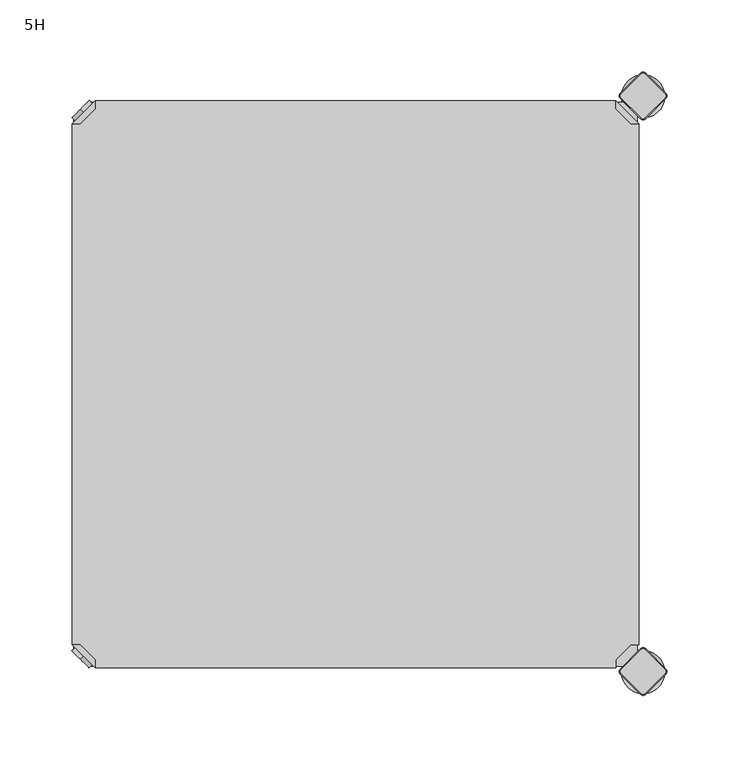
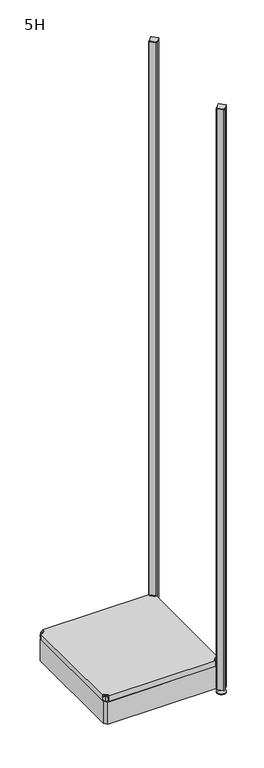
"""IFC4 building model written with IfcOpenShell, lengths in millimetres: furniture geometry, 5H."""

import ifcopenshell
import ifcopenshell.guid

model = None  # the IFC model being written
_history = None  # IfcOwnerHistory: only IFC2X3 demands one
_inside = {}  # id of a spatial element -> (the spatial element, [elements in it])
_under = {}  # id of a project, library or spatial element -> (it, [spatial elements below it])
_declared = {}  # id of a project -> (the project, [libraries it declares])
_typed = {}  # id of a type object -> (the type object, [elements of that type])
_made_of = {}  # id of a material, layer set ... -> (it, [elements and type objects made of it])


def new_model(schema):
    """Start an empty IFC model of exactly this schema.

    Asked for "IFC4X3", IfcOpenShell would pick the latest addendum, in which some entities
    have other attributes; the version numbers below select the first issue.
    IFC2X3 requires an IfcOwnerHistory on every rooted entity: one is made here for all.
    """
    global model, _history
    if schema == "IFC4X3":
        model = ifcopenshell.file(schema_version=(4, 3, 0, 0))
    else:
        model = ifcopenshell.file(schema=schema)
    _inside.clear()
    _under.clear()
    _declared.clear()
    _typed.clear()
    _made_of.clear()
    _history = None
    if model.schema == "IFC2X3":
        org = make("IfcOrganization", Name="unknown")
        user = make(
            "IfcPersonAndOrganization",
            ThePerson=make("IfcPerson", FamilyName="unknown"),
            TheOrganization=org,
        )
        app = make(
            "IfcApplication",
            ApplicationDeveloper=org,
            Version="unknown",
            ApplicationFullName="unknown",
            ApplicationIdentifier="unknown",
        )
        _history = make(
            "IfcOwnerHistory",
            OwningUser=user,
            OwningApplication=app,
            ChangeAction="ADDED",
            CreationDate=0,
        )
    return model


def make(cls, **values):
    """One entity of the class cls with the attributes given. An attribute that is None is left unset."""
    return model.create_entity(
        cls, **{name: value for name, value in values.items() if value is not None}
    )


def rooted(cls, **values):
    """An entity with a GlobalId (a new one), such as an element, a storey or a relation."""
    return make(cls, GlobalId=ifcopenshell.guid.new(), OwnerHistory=_history, **values)


def si_unit(unit_type, name, prefix=None):
    """IfcSIUnit, for example si_unit("LENGTHUNIT", "METRE", prefix="MILLI")."""
    return make("IfcSIUnit", UnitType=unit_type, Prefix=prefix, Name=name)


def assignment(units):
    """IfcUnitAssignment: the units of a project."""
    return None if units is None else make("IfcUnitAssignment", Units=units)


def point(xyz):
    """IfcCartesianPoint."""
    return None if xyz is None else make("IfcCartesianPoint", Coordinates=xyz)


def direction(xyz):
    """IfcDirection."""
    return None if xyz is None else make("IfcDirection", DirectionRatios=xyz)


def frame(location, z_axis=None, x_axis=None):
    """IfcAxis2Placement3D, a coordinate frame: its origin and axes. An axis left out is left unset."""
    return make(
        "IfcAxis2Placement3D",
        Location=point(location),
        Axis=direction(z_axis),
        RefDirection=direction(x_axis),
    )


def frame_2d(location, x_axis=None):
    """IfcAxis2Placement2D, a coordinate frame in the plane: its origin and x axis."""
    return make(
        "IfcAxis2Placement2D", Location=point(location), RefDirection=direction(x_axis)
    )


def origin():
    """The frame at (0, 0, 0) with its axes left unset."""
    return frame((0.0, 0.0, 0.0))


def place(relative_to, where):
    """IfcLocalPlacement: puts the frame where relative to a parent placement (None: the world)."""
    return make(
        "IfcLocalPlacement", PlacementRelTo=relative_to, RelativePlacement=where
    )


def context(
    kind, dimensions, precision=None, world=None, true_north=None, identifier=None
):
    """IfcGeometricRepresentationContext, for example the 3D "Model" context."""
    return make(
        "IfcGeometricRepresentationContext",
        ContextIdentifier=identifier,
        ContextType=kind,
        CoordinateSpaceDimension=dimensions,
        Precision=precision,
        WorldCoordinateSystem=world,
        TrueNorth=true_north,
    )


def project(units=None, contexts=None):
    """IfcProject with its units and contexts."""
    return rooted(
        "IfcProject",
        Name="project",
        RepresentationContexts=contexts,
        UnitsInContext=assignment(units),
    )


def spatial(cls, under=None, at=None, **own):
    """A site, building, storey or space (cls), placed at a placement, below another one or the project."""
    s = rooted(cls, ObjectPlacement=at, **own)
    if under is not None:
        _under.setdefault(under.id(), (under, []))[1].append(s)
    return s


def polyline(points):
    """IfcPolyline through the points."""
    return make("IfcPolyline", Points=[point(p) for p in points])


def circle_curve(where, radius):
    """IfcCircle in the frame where."""
    return make("IfcCircle", Position=where, Radius=radius)


def trimmed(basis, trim1, trim2, sense, master):
    """IfcTrimmedCurve: the piece of a basis curve between two trims."""
    return make(
        "IfcTrimmedCurve",
        BasisCurve=basis,
        Trim1=trim1,
        Trim2=trim2,
        SenseAgreement=sense,
        MasterRepresentation=master,
    )


def segment(curve, same_sense, transition):
    """IfcCompositeCurveSegment."""
    return make(
        "IfcCompositeCurveSegment",
        Transition=transition,
        SameSense=same_sense,
        ParentCurve=curve,
    )


def composite_curve(segments, self_intersect=None):
    """IfcCompositeCurve: segments joined end to end."""
    return make("IfcCompositeCurve", Segments=segments, SelfIntersect=self_intersect)


def outline(outer, holes=None, kind="AREA"):
    """IfcArbitraryClosedProfileDef: a profile drawn as a closed curve; with holes, ...WithVoids."""
    if holes is None:
        return make("IfcArbitraryClosedProfileDef", ProfileType=kind, OuterCurve=outer)
    return make(
        "IfcArbitraryProfileDefWithVoids",
        ProfileType=kind,
        OuterCurve=outer,
        InnerCurves=holes,
    )


def extrude(swept, where, along, depth):
    """IfcExtrudedAreaSolid: the profile swept, set in the frame where, extruded along a direction by depth."""
    return make(
        "IfcExtrudedAreaSolid",
        SweptArea=swept,
        Position=where,
        ExtrudedDirection=direction(along),
        Depth=depth,
    )


def shape(context_of_items, identifier, shape_type, items):
    """IfcShapeRepresentation: the items that make up one representation, for example the "Body"."""
    return make(
        "IfcShapeRepresentation",
        ContextOfItems=context_of_items,
        RepresentationIdentifier=identifier,
        RepresentationType=shape_type,
        Items=items,
    )


def source(mapping_origin, context_of_items, identifier, shape_type, items):
    """IfcRepresentationMap: a shape defined once, which mapped items show again and again."""
    return make(
        "IfcRepresentationMap",
        MappingOrigin=mapping_origin,
        MappedRepresentation=shape(context_of_items, identifier, shape_type, items),
    )


def transform(
    local_origin,
    x_axis=None,
    y_axis=None,
    z_axis=None,
    scale=None,
    scale2=None,
    scale3=None,
    uniform=True,
):
    """IfcCartesianTransformationOperator3D, or its non-uniform kind. x_axis, y_axis, z_axis: its Axis1, 2, 3."""
    if uniform:
        return make(
            "IfcCartesianTransformationOperator3D",
            Axis1=direction(x_axis),
            Axis2=direction(y_axis),
            LocalOrigin=point(local_origin),
            Scale=scale,
            Axis3=direction(z_axis),
        )
    return make(
        "IfcCartesianTransformationOperator3DnonUniform",
        Axis1=direction(x_axis),
        Axis2=direction(y_axis),
        LocalOrigin=point(local_origin),
        Scale=scale,
        Axis3=direction(z_axis),
        Scale2=scale2,
        Scale3=scale3,
    )


def mapped(mapping_source, mapping_target):
    """IfcMappedItem: shows the shape of a source again, moved by a transform."""
    return make(
        "IfcMappedItem", MappingSource=mapping_source, MappingTarget=mapping_target
    )


def made_of(thing, what):
    """Note that an element or type object is made of a material, layer set ...; save() writes the relation."""
    if what is not None:
        _made_of.setdefault(what.id(), (what, []))[1].append(thing)
    return thing


def element(
    cls,
    number,
    at=None,
    inside=None,
    cuts=None,
    type_object=None,
    material=None,
    context=None,
    identifier="Body",
    shape_type=None,
    held_by="IfcProductDefinitionShape",
    body=None,
    shapes=None,
    **own,
):
    """One element of the class cls, such as IfcWall. Its Tag is "e" and its number.

    at: its placement. inside: the storey or other place that contains it. cuts: it is an
    opening in that element (IfcRelVoidsElement). A single representation is given by context,
    identifier, shape_type and body (its items); several are given by shapes. held_by: the class
    of the entity that holds the representations. save() writes the other relations.
    """
    e = rooted(cls, Tag="e%d" % number, ObjectPlacement=at, **own)
    if body is not None:
        shapes = [shape(context, identifier, shape_type, body)]
    if shapes is not None:
        e.Representation = make(held_by, Representations=shapes)
    if inside is not None:
        _inside.setdefault(inside.id(), (inside, []))[1].append(e)
    if cuts is not None:
        rooted(
            "IfcRelVoidsElement", RelatingBuildingElement=cuts, RelatedOpeningElement=e
        )
    if type_object is not None:
        _typed.setdefault(type_object.id(), (type_object, []))[1].append(e)
    return made_of(e, material)


def aggregate(whole, parts):
    """IfcRelAggregates: a whole, such as a stair, and the parts it consists of."""
    return rooted("IfcRelAggregates", RelatingObject=whole, RelatedObjects=parts)


def save(model, path):
    """Write the relations noted so far, then the file.

    IfcRelAggregates (storeys below a building ...), IfcRelContainedInSpatialStructure (elements
    in a storey), IfcRelDefinesByType, IfcRelAssociatesMaterial and IfcRelDeclares: one each for
    every whole, place, type object, material and project.
    """
    for whole, parts in _under.values():
        aggregate(whole, parts)
    for where, things in _inside.values():
        rooted(
            "IfcRelContainedInSpatialStructure",
            RelatedElements=things,
            RelatingStructure=where,
        )
    for kind, things in _typed.values():
        rooted("IfcRelDefinesByType", RelatedObjects=things, RelatingType=kind)
    for what, things in _made_of.values():
        rooted("IfcRelAssociatesMaterial", RelatedObjects=things, RelatingMaterial=what)
    for by, libraries in _declared.values():
        rooted("IfcRelDeclares", RelatingContext=by, RelatedDefinitions=libraries)
    model.write(path)


def plane_surface(at):
    """IfcPlane: the flat surface through the origin of the frame at, square to its z axis."""
    return make("IfcPlane", Position=at)


def cylinder_surface(at, radius):
    """IfcCylindricalSurface: all points at the distance radius from the z axis of the frame at."""
    return make("IfcCylindricalSurface", Position=at, Radius=radius)


def revolved_surface(curve, axis_point, axis_direction):
    """IfcSurfaceOfRevolution: the curve turned about the line through axis_point along axis_direction."""
    return make(
        "IfcSurfaceOfRevolution",
        SweptCurve=make("IfcArbitraryOpenProfileDef", ProfileType="CURVE", Curve=curve),
        AxisPosition=make("IfcAxis1Placement", Location=point(axis_point), Axis=direction(axis_direction)),
    )


def advanced_brep(points, edges, surfaces, faces):
    """IfcAdvancedBrep: a solid bounded by faces that lie on surfaces and meet in shared edges.

    An edge is (start, end): straight between two places in points (the first is 0);
    or (start, end, curve); or (start, end, curve, False) where it runs against its curve.
    A face is (place in surfaces, loops), or (place, loops, False) where it looks against
    its surface's normal. A loop lists edges by number (the first is 1), with a minus sign
    where the edge is run from its end to its start. The first loop is the outer one.
    """
    corners = [point(p) for p in points]
    vertices = [make("IfcVertexPoint", VertexGeometry=c) for c in corners]
    made = []
    for start, end, *more in edges:
        made.append(
            make(
                "IfcEdgeCurve",
                EdgeStart=vertices[start],
                EdgeEnd=vertices[end],
                EdgeGeometry=more[0] if more else make("IfcPolyline", Points=[corners[start], corners[end]]),
                SameSense=more[1] if len(more) > 1 else True,
            )
        )
    hull = []
    for where, loops, *sense in faces:
        bounds = []
        for j, loop in enumerate(loops):
            ring = [make("IfcOrientedEdge", EdgeElement=made[abs(k) - 1], Orientation=k > 0) for k in loop]
            bounds.append(
                make(
                    "IfcFaceOuterBound" if j == 0 else "IfcFaceBound",
                    Bound=make("IfcEdgeLoop", EdgeList=ring),
                    Orientation=True,
                )
            )
        hull.append(make("IfcAdvancedFace", Bounds=bounds, FaceSurface=surfaces[where], SameSense=sense[0] if sense else True))
    return make("IfcAdvancedBrep", Outer=make("IfcClosedShell", CfsFaces=hull))


def furniture_5h_3367ae44(model_context):
    return source(origin(), model_context, "Body", "SolidModel", [
        advanced_brep(
        [(381.0796898, 397.0, 117.0), (381.0796898, 391.3431458, 117.0), (391.3431458, 381.0796898, 117.0), (397.0, 381.0796898, 117.0), (397.0, 381.0796898, 98.0), (397.0, 381.0796898, 97.0), (381.0796898, 397.0, 97.0), (381.0796898, 397.0, 98.0), (381.0796898, 391.3431458, 98.0), (391.3431458, 381.0796898, 98.0), (352.2702923, 368.1906025, 98.0), (368.1906025, 352.2702923, 98.0), (368.1906025, 352.2702923, 97.0), (352.2702923, 368.1906025, 97.0)],
        [
            (0, 1),
            (1, 2),
            (2, 3),
            (3, 0),
            (3, 4),
            (4, 5),
            (5, 6),
            (6, 7),
            (7, 0),
            (1, 8),
            (8, 9),
            (9, 2),
            (7, 8),
            (9, 4),
            (7, 10),
            (10, 11, circle_curve(frame((360.2304474, 360.2304474, 98.0), z_axis=(0.0, 0.0, 1.0), x_axis=(-1.0, 0.0, 0.0)), 11.2573593)),
            (11, 4),
            (5, 12),
            (12, 13, circle_curve(frame((360.2304474, 360.2304474, 97.0), z_axis=(0.0, 0.0, -1.0), x_axis=(-1.0, 0.0, 0.0)), 11.2573593)),
            (13, 6),
            (11, 12),
            (10, 13),
        ],
        [
            plane_surface(frame((438.8756299, 339.2040599, 117.0), z_axis=(0.0, 0.0, 1.0000000000000002), x_axis=(0.7071067811865511, -0.707106781186544, 0.0))),
            plane_surface(frame((381.0796898, 397.0, 117.0), z_axis=(0.707106781186544, 0.7071067811865511, 0.0), x_axis=(0.0, 0.0, -1.0))),
            plane_surface(frame((391.3431458, 381.0796898, 117.0), z_axis=(-0.7071067811865527, -0.7071067811865424, 0.0), x_axis=(0.0, 0.0, -1.0))),
            plane_surface(frame((381.0796898, 391.3431458, 117.0), z_axis=(-1.0, 0.0, 0.0), x_axis=(0.0, 0.0, -1.0))),
            plane_surface(frame((397.0, 381.0796898, 117.0), z_axis=(0.0, -1.0, 0.0), x_axis=(0.0, 0.0, -1.0))),
            plane_surface(frame((397.0, 381.0796898, 98.0), z_axis=(0.0, 0.0, 1.0), x_axis=(0.7071067811865439, -0.7071067811865511, 0.0))),
            plane_surface(frame((397.0, 381.0796898, 97.0), z_axis=(0.0, 0.0, -1.0), x_axis=(-0.7071067811865439, 0.7071067811865511, 0.0))),
            plane_surface(frame((397.0, 381.0796898, 98.0), z_axis=(0.7071067811865446, -0.7071067811865506, 0.0), x_axis=(0.0, 0.0, -1.0))),
            cylinder_surface(frame((360.2304474, 360.2304474, 97.0), z_axis=(0.0, 0.0, 1.0), x_axis=(-1.0, 0.0, 0.0)), 11.2573593),
            plane_surface(frame((352.2702923, 368.1906025, 98.0), z_axis=(-0.7071067811865435, 0.7071067811865517, 0.0), x_axis=(0.0, 0.0, -1.0))),
        ],
        [
            (0, [[1, 2, 3, 4]]),
            (1, [[5, 6, 7, 8, 9, -4]]),
            (2, [[10, 11, 12, -2]]),
            (3, [[-9, 13, -10, -1]]),
            (4, [[-12, 14, -5, -3]]),
            (5, [[-14, -11, -13, 15, 16, 17]]),
            (6, [[-7, 18, 19, 20]]),
            (7, [[21, -18, -6, -17]]),
            (8, [[22, -19, -21, -16]]),
            (9, [[-8, -20, -22, -15]]),
        ],
    ),
        advanced_brep(
        [(10.9601551, 389.0398449, 98.5), (10.9601551, 389.0398449, 115.5), (10.9601551, 389.0398449, 107.0), (8.8388348, 391.1611652, 98.5), (8.8388348, 391.1611652, 115.5), (8.8388348, 391.1611652, 107.0)],
        [
            (0, 1, circle_curve(frame((10.9601551, 389.0398449, 107.0), z_axis=(0.7071067811865509, -0.7071067811865441, 0.0), x_axis=(0.0, 0.0, 1.0)), 8.5)),
            (1, 2),
            (2, 0),
            (1, 0, circle_curve(frame((10.9601551, 389.0398449, 107.0), z_axis=(0.7071067811865509, -0.7071067811865441, 0.0), x_axis=(0.0, 0.0, 1.0)), 8.5)),
            (3, 4, circle_curve(frame((8.8388348, 391.1611652, 107.0), z_axis=(0.7071067811865509, -0.7071067811865441, 0.0), x_axis=(0.0, 0.0, 1.0)), 8.5)),
            (4, 1),
            (0, 3),
            (4, 3, circle_curve(frame((8.8388348, 391.1611652, 107.0), z_axis=(0.7071067811865509, -0.7071067811865441, 0.0), x_axis=(0.0, 0.0, 1.0)), 8.5)),
            (5, 4),
            (3, 5),
        ],
        [
            plane_surface(frame((10.9601551, 389.0398449, 107.0), z_axis=(0.7071067811865506, -0.7071067811865446, 0.0), x_axis=(0.0, 0.0, 1.0))),
            cylinder_surface(frame((8.8388348, 391.1611652, 107.0), z_axis=(-0.7071067811865509, 0.7071067811865441, 0.0), x_axis=(0.0, 0.0, 1.0)), 8.5),
            plane_surface(frame((8.8388348, 391.1611652, 107.0), z_axis=(-0.7071067811865506, 0.7071067811865446, 0.0), x_axis=(0.0, 0.0, 1.0))),
        ],
        [
            (0, [[1, 2, 3]]),
            (0, [[4, -3, -2]]),
            (1, [[5, 6, -1, 7]]),
            (1, [[8, -7, -4, -6]]),
            (2, [[9, -5, 10]]),
            (2, [[-10, -8, -9]]),
        ],
    ),
        advanced_brep(
        [(18.9203102, 397.0, 117.0), (3.0, 381.0796898, 117.0), (8.6568542, 381.0796898, 117.0), (18.9203102, 391.3431458, 117.0), (18.9203102, 397.0, 98.0), (18.9203102, 397.0, 97.0), (3.0, 381.0796898, 97.0), (3.0, 381.0796898, 98.0), (8.6568542, 381.0796898, 98.0), (18.9203102, 391.3431458, 98.0), (31.8093975, 352.2702923, 98.0), (47.7297077, 368.1906025, 98.0), (47.7297077, 368.1906025, 97.0), (31.8093975, 352.2702923, 97.0)],
        [
            (0, 1),
            (1, 2),
            (2, 3),
            (3, 0),
            (0, 4),
            (4, 5),
            (5, 6),
            (6, 7),
            (7, 1),
            (2, 8),
            (8, 9),
            (9, 3),
            (9, 4),
            (7, 8),
            (7, 10),
            (10, 11, circle_curve(frame((39.7695526, 360.2304474, 98.0), z_axis=(0.0, 0.0, 1.0), x_axis=(1.0, 0.0, 0.0)), 11.2573593)),
            (11, 4),
            (5, 12),
            (12, 13, circle_curve(frame((39.7695526, 360.2304474, 97.0), z_axis=(0.0, 0.0, -1.0), x_axis=(1.0, 0.0, 0.0)), 11.2573593)),
            (13, 6),
            (13, 10),
            (12, 11),
        ],
        [
            plane_surface(frame((-38.8756299, 339.2040599, 117.0), z_axis=(0.0, 0.0, 1.0000000000000002), x_axis=(-0.7071067811865511, -0.707106781186544, 0.0))),
            plane_surface(frame((18.9203102, 397.0, 117.0), z_axis=(-0.707106781186544, 0.7071067811865511, 0.0), x_axis=(0.0, 0.0, -1.0))),
            plane_surface(frame((8.6568542, 381.0796898, 117.0), z_axis=(0.7071067811865527, -0.7071067811865424, 0.0), x_axis=(0.0, 0.0, -1.0))),
            plane_surface(frame((18.9203102, 391.3431458, 117.0), z_axis=(1.0, 0.0, 0.0), x_axis=(0.0, 0.0, -1.0))),
            plane_surface(frame((3.0, 381.0796898, 117.0), z_axis=(0.0, -1.0, 0.0), x_axis=(0.0, 0.0, -1.0))),
            plane_surface(frame((3.0, 381.0796898, 98.0), z_axis=(0.0, 0.0, 1.0), x_axis=(-0.7071067811865439, -0.7071067811865511, 0.0))),
            plane_surface(frame((3.0, 381.0796898, 97.0), z_axis=(0.0, 0.0, -1.0), x_axis=(0.7071067811865439, 0.7071067811865511, 0.0))),
            plane_surface(frame((3.0, 381.0796898, 98.0), z_axis=(-0.7071067811865446, -0.7071067811865506, 0.0), x_axis=(0.0, 0.0, -1.0))),
            cylinder_surface(frame((39.7695526, 360.2304474, 97.0), z_axis=(0.0, 0.0, 1.0), x_axis=(1.0, 0.0, 0.0)), 11.2573593),
            plane_surface(frame((47.7297077, 368.1906025, 98.0), z_axis=(0.7071067811865435, 0.7071067811865517, 0.0), x_axis=(0.0, 0.0, -1.0))),
        ],
        [
            (0, [[1, 2, 3, 4]]),
            (1, [[-1, 5, 6, 7, 8, 9]]),
            (2, [[-3, 10, 11, 12]]),
            (3, [[-4, -12, 13, -5]]),
            (4, [[-2, -9, 14, -10]]),
            (5, [[15, 16, 17, -13, -11, -14]]),
            (6, [[18, 19, 20, -7]]),
            (7, [[-15, -8, -20, 21]]),
            (8, [[-16, -21, -19, 22]]),
            (9, [[-17, -22, -18, -6]]),
        ],
    ),
        advanced_brep(
        [(10.9601551, 10.9601551, 98.5), (10.9601551, 10.9601551, 107.0), (10.9601551, 10.9601551, 115.5), (8.8388348, 8.8388348, 98.5), (8.8388348, 8.8388348, 115.5), (8.8388348, 8.8388348, 107.0)],
        [
            (0, 1),
            (1, 2),
            (2, 0, circle_curve(frame((10.9601551, 10.9601551, 107.0), z_axis=(0.7071067811865464, 0.7071067811865487, 0.0), x_axis=(0.0, 0.0, 1.0)), 8.5)),
            (0, 2, circle_curve(frame((10.9601551, 10.9601551, 107.0), z_axis=(0.7071067811865464, 0.7071067811865487, 0.0), x_axis=(0.0, 0.0, 1.0)), 8.5)),
            (3, 0),
            (2, 4),
            (4, 3, circle_curve(frame((8.8388348, 8.8388348, 107.0), z_axis=(0.7071067811865464, 0.7071067811865487, 0.0), x_axis=(0.0, 0.0, 1.0)), 8.5)),
            (3, 4, circle_curve(frame((8.8388348, 8.8388348, 107.0), z_axis=(0.7071067811865464, 0.7071067811865487, 0.0), x_axis=(0.0, 0.0, 1.0)), 8.5)),
            (5, 3),
            (4, 5),
        ],
        [
            plane_surface(frame((10.9601551, 10.9601551, 107.0), z_axis=(0.707106781186546, 0.7071067811865491, 0.0), x_axis=(0.0, 0.0, 1.0))),
            cylinder_surface(frame((8.8388348, 8.8388348, 107.0), z_axis=(-0.7071067811865464, -0.7071067811865487, 0.0), x_axis=(0.0, 0.0, 1.0)), 8.5),
            plane_surface(frame((8.8388348, 8.8388348, 107.0), z_axis=(-0.707106781186546, -0.7071067811865491, 0.0), x_axis=(0.0, 0.0, 1.0))),
        ],
        [
            (0, [[1, 2, 3]]),
            (0, [[-2, -1, 4]]),
            (1, [[5, -3, 6, 7]]),
            (1, [[-6, -4, -5, 8]]),
            (2, [[9, -7, 10]]),
            (2, [[-10, -8, -9]]),
        ],
    ),
        advanced_brep(
        [(18.9203102, 3.0, 117.0), (18.9203102, 8.6568542, 117.0), (8.6568542, 18.9203102, 117.0), (3.0, 18.9203102, 117.0), (3.0, 18.9203102, 98.0), (3.0, 18.9203102, 97.0), (18.9203102, 3.0, 97.0), (18.9203102, 3.0, 98.0), (18.9203102, 8.6568542, 98.0), (8.6568542, 18.9203102, 98.0), (47.7297077, 31.8093975, 98.0), (31.8093975, 47.7297077, 98.0), (31.8093975, 47.7297077, 97.0), (47.7297077, 31.8093975, 97.0)],
        [
            (0, 1),
            (1, 2),
            (2, 3),
            (3, 0),
            (3, 4),
            (4, 5),
            (5, 6),
            (6, 7),
            (7, 0),
            (1, 8),
            (8, 9),
            (9, 2),
            (7, 8),
            (9, 4),
            (7, 10),
            (10, 11, circle_curve(frame((39.7695526, 39.7695526, 98.0), z_axis=(0.0, 0.0, 1.0), x_axis=(1.0, 0.0, 0.0)), 11.2573593)),
            (11, 4),
            (5, 12),
            (12, 13, circle_curve(frame((39.7695526, 39.7695526, 97.0), z_axis=(0.0, 0.0, -1.0), x_axis=(1.0, 0.0, 0.0)), 11.2573593)),
            (13, 6),
            (11, 12),
            (10, 13),
        ],
        [
            plane_surface(frame((-38.8756299, 60.7959401, 117.0), z_axis=(0.0, 0.0, 1.0000000000000002), x_axis=(-0.7071067811865557, 0.7071067811865395, 0.0))),
            plane_surface(frame((18.9203102, 3.0, 117.0), z_axis=(-0.7071067811865395, -0.7071067811865557, 0.0), x_axis=(0.0, 0.0, -1.0))),
            plane_surface(frame((8.6568542, 18.9203102, 117.0), z_axis=(0.7071067811865481, 0.7071067811865469, 0.0), x_axis=(0.0, 0.0, -1.0))),
            plane_surface(frame((18.9203102, 8.6568542, 117.0), z_axis=(1.0, 0.0, 0.0), x_axis=(0.0, 0.0, -1.0))),
            plane_surface(frame((3.0, 18.9203102, 117.0), z_axis=(0.0, 1.0, 0.0), x_axis=(0.0, 0.0, -1.0))),
            plane_surface(frame((3.0, 18.9203102, 98.0), z_axis=(0.0, 0.0, 1.0), x_axis=(-0.7071067811865485, 0.7071067811865466, 0.0))),
            plane_surface(frame((3.0, 18.9203102, 97.0), z_axis=(0.0, 0.0, -1.0), x_axis=(0.7071067811865485, -0.7071067811865466, 0.0))),
            plane_surface(frame((3.0, 18.9203102, 98.0), z_axis=(-0.7071067811865491, 0.707106781186546, 0.0), x_axis=(0.0, 0.0, -1.0))),
            cylinder_surface(frame((39.7695526, 39.7695526, 97.0), z_axis=(0.0, 0.0, 1.0), x_axis=(1.0, 0.0, 0.0)), 11.2573593),
            plane_surface(frame((47.7297077, 31.8093975, 98.0), z_axis=(0.707106781186548, -0.7071067811865471, 0.0), x_axis=(0.0, 0.0, -1.0))),
        ],
        [
            (0, [[1, 2, 3, 4]]),
            (1, [[5, 6, 7, 8, 9, -4]]),
            (2, [[10, 11, 12, -2]]),
            (3, [[-9, 13, -10, -1]]),
            (4, [[-12, 14, -5, -3]]),
            (5, [[-14, -11, -13, 15, 16, 17]]),
            (6, [[-7, 18, 19, 20]]),
            (7, [[21, -18, -6, -17]]),
            (8, [[22, -19, -21, -16]]),
            (9, [[-8, -20, -22, -15]]),
        ],
    ),
        extrude(outline(polyline([(381.0796898, 3.0), (18.9203102, 3.0), (18.9203102, 8.6568542), (8.6568542, 18.9203102), (3.0, 18.9203102), (3.0, 381.0796898), (8.6568542, 381.0796898), (18.9203102, 391.3431458), (18.9203102, 397.0), (381.0796898, 397.0), (381.0796898, 391.3431458), (391.3431458, 381.0796898), (397.0, 381.0796898), (397.0, 18.9203102), (391.3431458, 18.9203102), (381.0796898, 8.6568542), (381.0796898, 3.0)])), frame((0.0, 0.0, 98.0), z_axis=(0.0, 0.0, 1.0), x_axis=(1.0, 0.0, 0.0)), (0.0, 0.0, 1.0), 19.0),
        advanced_brep(
        [(385.0, 400.0, 0.0), (400.0, 400.0, 0.0), (415.0, 400.0, 0.0), (385.0, 400.0, 2.0), (415.0, 400.0, 2.0), (392.0, 400.0, 9.0), (408.0, 400.0, 9.0), (396.0, 400.0, 9.0), (404.0, 400.0, 9.0), (396.0, 400.0, 15.0), (404.0, 400.0, 15.0), (400.0, 400.0, 15.0)],
        [
            (0, 1),
            (1, 2),
            (2, 0, circle_curve(frame((400.0, 400.0, 0.0), z_axis=(0.0, 0.0, -1.0), x_axis=(1.0, 0.0, 0.0)), 15.0)),
            (0, 2, circle_curve(frame((400.0, 400.0, 0.0), z_axis=(0.0, 0.0, -1.0), x_axis=(1.0, 0.0, 0.0)), 15.0)),
            (3, 0),
            (2, 4),
            (4, 3, circle_curve(frame((400.0, 400.0, 2.0), z_axis=(0.0, 0.0, -1.0), x_axis=(1.0, 0.0, 0.0)), 15.0)),
            (3, 4, circle_curve(frame((400.0, 400.0, 2.0), z_axis=(0.0, 0.0, -1.0), x_axis=(1.0, 0.0, 0.0)), 15.0)),
            (5, 3),
            (4, 6),
            (6, 5, circle_curve(frame((400.0, 400.0, 9.0), z_axis=(0.0, 0.0, -1.0), x_axis=(1.0, 0.0, 0.0)), 8.0)),
            (5, 6, circle_curve(frame((400.0, 400.0, 9.0), z_axis=(0.0, 0.0, -1.0), x_axis=(1.0, 0.0, 0.0)), 8.0)),
            (7, 5),
            (6, 8),
            (8, 7, circle_curve(frame((400.0, 400.0, 9.0), z_axis=(0.0, 0.0, -1.0), x_axis=(1.0, 0.0, 0.0)), 4.0)),
            (7, 8, circle_curve(frame((400.0, 400.0, 9.0), z_axis=(0.0, 0.0, -1.0), x_axis=(1.0, 0.0, 0.0)), 4.0)),
            (9, 7),
            (8, 10),
            (10, 9, circle_curve(frame((400.0, 400.0, 15.0), z_axis=(0.0, 0.0, -1.0), x_axis=(1.0, 0.0, 0.0)), 4.0)),
            (9, 10, circle_curve(frame((400.0, 400.0, 15.0), z_axis=(0.0, 0.0, -1.0), x_axis=(1.0, 0.0, 0.0)), 4.0)),
            (11, 9),
            (10, 11),
        ],
        [
            plane_surface(frame((400.0, 400.0, 0.0), z_axis=(0.0, 0.0, -1.0), x_axis=(1.0, 0.0, 0.0))),
            cylinder_surface(frame((400.0, 400.0, 18.6083303), z_axis=(0.0, 0.0, 1.0), x_axis=(1.0, 0.0, 0.0)), 15.0),
            revolved_surface(polyline([(415.0, 400.0, 2.0), (408.0, 400.0, 9.0)]), (400.0, 400.0, 18.6083303), (0.0, 0.0, 1.0)),
            plane_surface(frame((400.0, 400.0, 9.0), z_axis=(0.0, 0.0, 1.0), x_axis=(1.0, 0.0, 0.0))),
            cylinder_surface(frame((400.0, 400.0, 18.6083303), z_axis=(0.0, 0.0, 1.0), x_axis=(1.0, 0.0, 0.0)), 4.0),
            plane_surface(frame((400.0, 400.0, 15.0), z_axis=(0.0, 0.0, 1.0), x_axis=(1.0, 0.0, 0.0))),
        ],
        [
            (0, [[1, 2, 3]]),
            (0, [[-2, -1, 4]]),
            (1, [[5, -3, 6, 7]]),
            (1, [[-6, -4, -5, 8]]),
            (2, [[9, -7, 10, 11]]),
            (2, [[-10, -8, -9, 12]]),
            (3, [[13, -11, 14, 15]]),
            (3, [[-14, -12, -13, 16]]),
            (4, [[17, -15, 18, 19]]),
            (4, [[-18, -16, -17, 20]]),
            (5, [[21, -19, 22]]),
            (5, [[-22, -20, -21]]),
        ],
    ),
        advanced_brep(
        [(398.7979185, 384.6557828, 2117.0), (401.2020815, 384.6557828, 2117.0), (415.3442172, 398.7979185, 2117.0), (415.3442172, 401.2020815, 2117.0), (401.2020815, 415.3442172, 2117.0), (398.7979185, 415.3442172, 2117.0), (384.6557828, 401.2020815, 2117.0), (384.6557828, 398.7979185, 2117.0), (398.232233, 384.0900974, 2115.0), (384.0900974, 398.232233, 2115.0), (384.0900974, 401.767767, 2115.0), (398.232233, 415.9099026, 2115.0), (401.767767, 415.9099026, 2115.0), (415.9099026, 401.767767, 2115.0), (415.9099026, 398.232233, 2115.0), (401.767767, 384.0900974, 2115.0)],
        [
            (0, 1, circle_curve(frame((400.0, 385.8578644, 2117.0), z_axis=(0.0, 0.0, 1.0), x_axis=(0.7071067811865458, -0.7071067811865492, 0.0)), 1.7)),
            (1, 2),
            (2, 3, circle_curve(frame((414.1421356, 400.0, 2117.0), z_axis=(0.0, 0.0, 1.0), x_axis=(0.707106781186539, 0.7071067811865559, 0.0)), 1.7)),
            (3, 4),
            (4, 5, circle_curve(frame((400.0, 414.1421356, 2117.0), z_axis=(0.0, 0.0, 1.0), x_axis=(-0.7071067811865491, 0.707106781186546, 0.0)), 1.7)),
            (5, 6),
            (6, 7, circle_curve(frame((385.8578644, 400.0, 2117.0), z_axis=(0.0, 0.0, 1.0), x_axis=(-0.7071067811865537, -0.7071067811865414, 0.0)), 1.7)),
            (7, 0),
            (8, 9),
            (9, 10, circle_curve(frame((385.8578644, 400.0, 2115.0), z_axis=(0.0, 0.0, -1.0), x_axis=(-0.7071067811865537, -0.7071067811865414, 0.0)), 2.5)),
            (10, 11),
            (11, 12, circle_curve(frame((400.0, 414.1421356, 2115.0), z_axis=(0.0, 0.0, -1.0), x_axis=(-0.7071067811865491, 0.707106781186546, 0.0)), 2.5)),
            (12, 13),
            (13, 14, circle_curve(frame((414.1421356, 400.0, 2115.0), z_axis=(0.0, 0.0, -1.0), x_axis=(0.707106781186539, 0.7071067811865559, 0.0)), 2.5)),
            (14, 15),
            (15, 8, circle_curve(frame((400.0, 385.8578644, 2115.0), z_axis=(0.0, 0.0, -1.0), x_axis=(0.7071067811865458, -0.7071067811865492, 0.0)), 2.5)),
            (8, 0),
            (7, 9),
            (6, 10),
            (5, 11),
            (4, 12),
            (3, 13),
            (2, 14),
            (1, 15),
        ],
        [
            plane_surface(frame((400.0, 400.0, 2117.0), z_axis=(0.0, 0.0, 1.0), x_axis=(-0.7071067811865486, -0.7071067811865466, 0.0))),
            plane_surface(frame((400.0, 400.0, 2115.0), z_axis=(0.0, 0.0, -1.0), x_axis=(-0.7071067811865486, -0.7071067811865466, 0.0))),
            plane_surface(frame((391.1611652, 391.1611652, 2115.0), z_axis=(-0.6565321642986406, -0.656532164298628, 0.3713906763540281), x_axis=(-0.7071067811865408, 0.7071067811865543, 0.0))),
            revolved_surface(polyline([(384.65578284, 398.79791844, 2117.0), (384.0900974, 398.232233, 2115.0)]), (385.8578644, 400.0, 2121.25), (0.0, 0.0, -1.0)),
            plane_surface(frame((391.1611652, 408.8388348, 2115.0), z_axis=(-0.6565321642986325, 0.6565321642986414, 0.3713906763540188), x_axis=(0.7071067811865523, 0.7071067811865428, 0.0))),
            revolved_surface(polyline([(398.79791844, 415.34421716, 2117.0), (398.232233, 415.9099026, 2115.0)]), (400.0, 414.1421356, 2121.25), (0.0, 0.0, -1.0)),
            plane_surface(frame((408.8388348, 408.8388348, 2115.0), z_axis=(0.6565321642986457, 0.6565321642986508, 0.3713906763539787), x_axis=(0.7071067811865541, -0.707106781186541, 0.0))),
            revolved_surface(polyline([(415.34421716, 401.20208156, 2117.0), (415.9099026, 401.767767, 2115.0)]), (414.1421356, 400.0, 2121.25), (0.0, 0.0, -1.0)),
            plane_surface(frame((408.8388348, 391.1611652, 2115.0), z_axis=(0.656532164298657, -0.6565321642986371, 0.37139067635398293), x_axis=(-0.7071067811865407, -0.7071067811865545, 0.0))),
            revolved_surface(polyline([(401.20208156, 384.65578284, 2117.0), (401.767767, 384.0900974, 2115.0)]), (400.0, 385.8578644, 2121.25), (0.0, 0.0, -1.0)),
        ],
        [
            (0, [[1, 2, 3, 4, 5, 6, 7, 8]]),
            (1, [[9, 10, 11, 12, 13, 14, 15, 16]]),
            (2, [[17, -8, 18, -9]]),
            (3, [[-18, -7, 19, -10]]),
            (4, [[-19, -6, 20, -11]]),
            (5, [[-20, -5, 21, -12]]),
            (6, [[-21, -4, 22, -13]]),
            (7, [[-22, -3, 23, -14]]),
            (8, [[-23, -2, 24, -15]]),
            (9, [[-24, -1, -17, -16]]),
        ],
    ),
        extrude(outline(composite_curve([segment(polyline([(415.9099026, 398.232233), (401.767767, 384.0900974)]), True, "CONTINUOUS"), segment(trimmed(circle_curve(frame_2d((400.0, 385.8578644)), 2.5), [point((401.767767, 384.0900974))], [point((398.232233, 384.0900974))], False, "CARTESIAN"), True, "CONTINUOUS"), segment(polyline([(398.232233, 384.0900974), (384.0900974, 398.232233)]), True, "CONTINUOUS"), segment(trimmed(circle_curve(frame_2d((385.8578644, 400.0)), 2.5), [point((384.0900974, 398.232233))], [point((384.0900974, 401.767767))], False, "CARTESIAN"), True, "CONTINUOUS"), segment(polyline([(384.0900974, 401.767767), (398.232233, 415.9099026)]), True, "CONTINUOUS"), segment(trimmed(circle_curve(frame_2d((400.0, 414.1421356)), 2.5), [point((398.232233, 415.9099026))], [point((401.767767, 415.9099026))], False, "CARTESIAN"), True, "CONTINUOUS"), segment(polyline([(401.767767, 415.9099026), (415.9099026, 401.767767)]), True, "CONTINUOUS"), segment(trimmed(circle_curve(frame_2d((414.1421356, 400.0)), 2.5), [point((415.9099026, 401.767767))], [point((415.9099026, 398.232233))], False, "CARTESIAN"), True, "CONTINUOUS")], self_intersect=False)), frame((0.0, 0.0, 15.0), z_axis=(0.0, 0.0, 1.0), x_axis=(1.0, 0.0, 0.0)), (0.0, 0.0, 1.0), 2100.0),
        advanced_brep(
        [(385.0, 0.0, 0.0), (400.0, 0.0, 0.0), (415.0, 0.0, 0.0), (385.0, 0.0, 2.0), (415.0, 0.0, 2.0), (392.0, 0.0, 9.0), (408.0, 0.0, 9.0), (396.0, 0.0, 9.0), (404.0, 0.0, 9.0), (396.0, 0.0, 15.0), (404.0, 0.0, 15.0), (400.0, 0.0, 15.0)],
        [
            (0, 1),
            (1, 2),
            (2, 0, circle_curve(frame((400.0, 0.0, 0.0), z_axis=(0.0, 0.0, -1.0), x_axis=(1.0, 0.0, 0.0)), 15.0)),
            (0, 2, circle_curve(frame((400.0, 0.0, 0.0), z_axis=(0.0, 0.0, -1.0), x_axis=(1.0, 0.0, 0.0)), 15.0)),
            (3, 0),
            (2, 4),
            (4, 3, circle_curve(frame((400.0, 0.0, 2.0), z_axis=(0.0, 0.0, -1.0), x_axis=(1.0, 0.0, 0.0)), 15.0)),
            (3, 4, circle_curve(frame((400.0, 0.0, 2.0), z_axis=(0.0, 0.0, -1.0), x_axis=(1.0, 0.0, 0.0)), 15.0)),
            (5, 3),
            (4, 6),
            (6, 5, circle_curve(frame((400.0, 0.0, 9.0), z_axis=(0.0, 0.0, -1.0), x_axis=(1.0, 0.0, 0.0)), 8.0)),
            (5, 6, circle_curve(frame((400.0, 0.0, 9.0), z_axis=(0.0, 0.0, -1.0), x_axis=(1.0, 0.0, 0.0)), 8.0)),
            (7, 5),
            (6, 8),
            (8, 7, circle_curve(frame((400.0, 0.0, 9.0), z_axis=(0.0, 0.0, -1.0), x_axis=(1.0, 0.0, 0.0)), 4.0)),
            (7, 8, circle_curve(frame((400.0, 0.0, 9.0), z_axis=(0.0, 0.0, -1.0), x_axis=(1.0, 0.0, 0.0)), 4.0)),
            (9, 7),
            (8, 10),
            (10, 9, circle_curve(frame((400.0, 0.0, 15.0), z_axis=(0.0, 0.0, -1.0), x_axis=(1.0, 0.0, 0.0)), 4.0)),
            (9, 10, circle_curve(frame((400.0, 0.0, 15.0), z_axis=(0.0, 0.0, -1.0), x_axis=(1.0, 0.0, 0.0)), 4.0)),
            (11, 9),
            (10, 11),
        ],
        [
            plane_surface(frame((400.0, 0.0, 0.0), z_axis=(0.0, 0.0, -1.0), x_axis=(1.0, 0.0, 0.0))),
            cylinder_surface(frame((400.0, 0.0, 18.6083303), z_axis=(0.0, 0.0, 1.0), x_axis=(1.0, 0.0, 0.0)), 15.0),
            revolved_surface(polyline([(415.0, 0.0, 2.0), (408.0, 0.0, 9.0)]), (400.0, 0.0, 18.6083303), (0.0, 0.0, 1.0)),
            plane_surface(frame((400.0, 0.0, 9.0), z_axis=(0.0, 0.0, 1.0), x_axis=(1.0, 0.0, 0.0))),
            cylinder_surface(frame((400.0, 0.0, 18.6083303), z_axis=(0.0, 0.0, 1.0), x_axis=(1.0, 0.0, 0.0)), 4.0),
            plane_surface(frame((400.0, 0.0, 15.0), z_axis=(0.0, 0.0, 1.0), x_axis=(1.0, 0.0, 0.0))),
        ],
        [
            (0, [[1, 2, 3]]),
            (0, [[-2, -1, 4]]),
            (1, [[5, -3, 6, 7]]),
            (1, [[-6, -4, -5, 8]]),
            (2, [[9, -7, 10, 11]]),
            (2, [[-10, -8, -9, 12]]),
            (3, [[13, -11, 14, 15]]),
            (3, [[-14, -12, -13, 16]]),
            (4, [[17, -15, 18, 19]]),
            (4, [[-18, -16, -17, 20]]),
            (5, [[21, -19, 22]]),
            (5, [[-22, -20, -21]]),
        ],
    ),
        advanced_brep(
        [(398.7979185, -15.3442172, 2117.0), (401.2020815, -15.3442172, 2117.0), (415.3442172, -1.2020815, 2117.0), (415.3442172, 1.2020815, 2117.0), (401.2020815, 15.3442172, 2117.0), (398.7979185, 15.3442172, 2117.0), (384.6557828, 1.2020815, 2117.0), (384.6557828, -1.2020815, 2117.0), (398.232233, -15.9099026, 2115.0), (384.0900974, -1.767767, 2115.0), (384.0900974, 1.767767, 2115.0), (398.232233, 15.9099026, 2115.0), (401.767767, 15.9099026, 2115.0), (415.9099026, 1.767767, 2115.0), (415.9099026, -1.767767, 2115.0), (401.767767, -15.9099026, 2115.0)],
        [
            (0, 1, circle_curve(frame((400.0, -14.1421356, 2117.0), z_axis=(0.0, 0.0, 1.0), x_axis=(0.7071067811865458, -0.7071067811865492, 0.0)), 1.7)),
            (1, 2),
            (2, 3, circle_curve(frame((414.1421356, 0.0, 2117.0), z_axis=(0.0, 0.0, 1.0), x_axis=(0.707106781186539, 0.7071067811865559, 0.0)), 1.7)),
            (3, 4),
            (4, 5, circle_curve(frame((400.0, 14.1421356, 2117.0), z_axis=(0.0, 0.0, 1.0), x_axis=(-0.7071067811865491, 0.707106781186546, 0.0)), 1.7)),
            (5, 6),
            (6, 7, circle_curve(frame((385.8578644, 0.0, 2117.0), z_axis=(0.0, 0.0, 1.0), x_axis=(-0.7071067811865537, -0.7071067811865414, 0.0)), 1.7)),
            (7, 0),
            (8, 9),
            (9, 10, circle_curve(frame((385.8578644, 0.0, 2115.0), z_axis=(0.0, 0.0, -1.0), x_axis=(-0.7071067811865537, -0.7071067811865414, 0.0)), 2.5)),
            (10, 11),
            (11, 12, circle_curve(frame((400.0, 14.1421356, 2115.0), z_axis=(0.0, 0.0, -1.0), x_axis=(-0.7071067811865491, 0.707106781186546, 0.0)), 2.5)),
            (12, 13),
            (13, 14, circle_curve(frame((414.1421356, 0.0, 2115.0), z_axis=(0.0, 0.0, -1.0), x_axis=(0.707106781186539, 0.7071067811865559, 0.0)), 2.5)),
            (14, 15),
            (15, 8, circle_curve(frame((400.0, -14.1421356, 2115.0), z_axis=(0.0, 0.0, -1.0), x_axis=(0.7071067811865458, -0.7071067811865492, 0.0)), 2.5)),
            (8, 0),
            (7, 9),
            (6, 10),
            (5, 11),
            (4, 12),
            (3, 13),
            (2, 14),
            (1, 15),
        ],
        [
            plane_surface(frame((400.0, 0.0, 2117.0), z_axis=(0.0, 0.0, 1.0), x_axis=(-0.7071067811865486, -0.7071067811865466, 0.0))),
            plane_surface(frame((400.0, 0.0, 2115.0), z_axis=(0.0, 0.0, -1.0), x_axis=(-0.7071067811865486, -0.7071067811865466, 0.0))),
            plane_surface(frame((391.1611652, -8.8388348, 2115.0), z_axis=(-0.6565321642986406, -0.656532164298628, 0.3713906763540281), x_axis=(-0.7071067811865408, 0.7071067811865543, 0.0))),
            revolved_surface(polyline([(384.65578284, -1.20208156, 2117.0), (384.0900974, -1.767767, 2115.0)]), (385.8578644, 0.0, 2121.25), (0.0, 0.0, -1.0)),
            plane_surface(frame((391.1611652, 8.8388348, 2115.0), z_axis=(-0.6565321642986325, 0.6565321642986414, 0.3713906763540188), x_axis=(0.7071067811865523, 0.7071067811865428, 0.0))),
            revolved_surface(polyline([(398.79791844, 15.34421716, 2117.0), (398.232233, 15.9099026, 2115.0)]), (400.0, 14.1421356, 2121.25), (0.0, 0.0, -1.0)),
            plane_surface(frame((408.8388348, 8.8388348, 2115.0), z_axis=(0.6565321642986457, 0.6565321642986508, 0.3713906763539787), x_axis=(0.7071067811865541, -0.707106781186541, 0.0))),
            revolved_surface(polyline([(415.34421716, 1.20208156, 2117.0), (415.9099026, 1.767767, 2115.0)]), (414.1421356, 0.0, 2121.25), (0.0, 0.0, -1.0)),
            plane_surface(frame((408.8388348, -8.8388348, 2115.0), z_axis=(0.656532164298657, -0.6565321642986371, 0.37139067635398293), x_axis=(-0.7071067811865407, -0.7071067811865545, 0.0))),
            revolved_surface(polyline([(401.20208156, -15.34421716, 2117.0), (401.767767, -15.9099026, 2115.0)]), (400.0, -14.1421356, 2121.25), (0.0, 0.0, -1.0)),
        ],
        [
            (0, [[1, 2, 3, 4, 5, 6, 7, 8]]),
            (1, [[9, 10, 11, 12, 13, 14, 15, 16]]),
            (2, [[17, -8, 18, -9]]),
            (3, [[-18, -7, 19, -10]]),
            (4, [[-19, -6, 20, -11]]),
            (5, [[-20, -5, 21, -12]]),
            (6, [[-21, -4, 22, -13]]),
            (7, [[-22, -3, 23, -14]]),
            (8, [[-23, -2, 24, -15]]),
            (9, [[-24, -1, -17, -16]]),
        ],
    ),
        extrude(outline(composite_curve([segment(polyline([(415.9099026, -1.767767), (401.767767, -15.9099026)]), True, "CONTINUOUS"), segment(trimmed(circle_curve(frame_2d((400.0, -14.1421356)), 2.5), [point((401.767767, -15.9099026))], [point((398.232233, -15.9099026))], False, "CARTESIAN"), True, "CONTINUOUS"), segment(polyline([(398.232233, -15.9099026), (384.0900974, -1.767767)]), True, "CONTINUOUS"), segment(trimmed(circle_curve(frame_2d((385.8578644, 0.0)), 2.5), [point((384.0900974, -1.767767))], [point((384.0900974, 1.767767))], False, "CARTESIAN"), True, "CONTINUOUS"), segment(polyline([(384.0900974, 1.767767), (398.232233, 15.9099026)]), True, "CONTINUOUS"), segment(trimmed(circle_curve(frame_2d((400.0, 14.1421356)), 2.5), [point((398.232233, 15.9099026))], [point((401.767767, 15.9099026))], False, "CARTESIAN"), True, "CONTINUOUS"), segment(polyline([(401.767767, 15.9099026), (415.9099026, 1.767767)]), True, "CONTINUOUS"), segment(trimmed(circle_curve(frame_2d((414.1421356, 0.0)), 2.5), [point((415.9099026, 1.767767))], [point((415.9099026, -1.767767))], False, "CARTESIAN"), True, "CONTINUOUS")], self_intersect=False)), frame((0.0, 0.0, 15.0), z_axis=(0.0, 0.0, 1.0), x_axis=(1.0, 0.0, 0.0)), (0.0, 0.0, 1.0), 2100.0),
        extrude(outline(polyline([(4.0, 13.6776695), (4.0, 386.3223305), (13.6776695, 396.0), (386.3223305, 396.0), (396.0, 386.3223305), (396.0, 13.6776695), (386.3223305, 4.0), (13.6776695, 4.0), (4.0, 13.6776695)])), frame((0.0, 0.0, 16.0), z_axis=(0.0, 0.0, 1.0), x_axis=(1.0, 0.0, 0.0)), (0.0, 0.0, 1.0), 80.0),
    ])


if __name__ == "__main__":
    model = new_model("IFC4")
    model_context = context("Model", 3, world=origin())
    ifc_project = project(units=[si_unit("LENGTHUNIT", "METRE", prefix="MILLI")], contexts=[model_context])
    site = spatial("IfcSite", under=ifc_project)
    building = spatial("IfcBuilding", under=site)
    placement = place(None, origin())
    furniture_5h_shape = furniture_5h_3367ae44(model_context)
    element("IfcFurniture", 1, ObjectType="5H", at=placement, inside=building, context=model_context, shape_type="MappedRepresentation", body=[
        mapped(furniture_5h_shape, transform((0.0, 0.0, 0.0), x_axis=(1.0, 0.0, 0.0), y_axis=(0.0, 1.0, 0.0), z_axis=(0.0, 0.0, 1.0))),
    ])
    save(model, "model.ifc")
